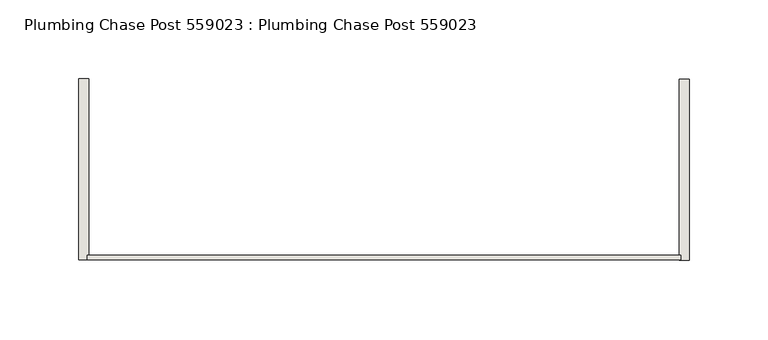
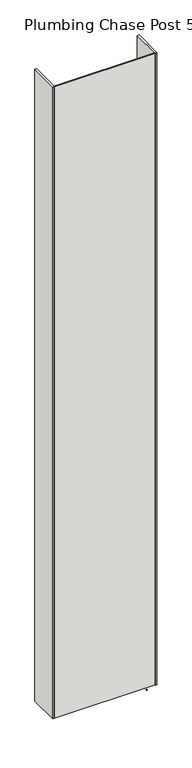
"""IFC4 building model written with IfcOpenShell, lengths in millimetres: wall geometry, Plumbing Chase Post 559023 : Plumbing Chase Post 559023."""

from ifc_helpers import new_model, si_unit, frame, origin, place, context, project, spatial, polyline, outline, extrude, source, transform, mapped, element, save


def plumbing_chase_post_559023_plumbing_chase_post_559023_118c1c75(model_context):
    return source(origin(), model_context, "Body", "SweptSolid", [
        extrude(outline(polyline([(53016.1140336, -39389.1845692), (53018.6540336, -39389.1845692), (53018.6540336, -39391.7245692), (53016.1140336, -39391.7245692), (53016.1140336, -39389.1845692)])), frame((0.0, 0.0, 4419.6), z_axis=(0.0, 0.0, 1.0), x_axis=(1.0, 0.0, 0.0)), (0.0, 0.0, 1.0), 2.54),
        extrude(outline(polyline([(53015.9453522, -39447.5208508), (52640.3589812, -39447.5208508), (52640.3589812, -39444.8543334), (53015.9453522, -39444.8543334), (53015.9453522, -39447.5208508)])), frame((0.0, 0.0, 4474.8958), z_axis=(0.0, 0.0, 1.0), x_axis=(1.0, 0.0, 0.0)), (0.0, 0.0, 1.0), 2481.1482254),
        extrude(outline(polyline([(53015.9453522, -39447.5208508), (52640.3589812, -39447.5208508), (52640.3589812, -39444.8543334), (53015.9453522, -39444.8543334), (53015.9453522, -39447.5208508)])), frame((0.0, 0.0, 4474.8958), z_axis=(0.0, 0.0, 1.0), x_axis=(1.0, 0.0, 0.0)), (0.0, 0.0, 1.0), 2481.1482254),
        extrude(outline(polyline([(53021.3589812, -39333.397584), (53021.3589812, -39447.824711), (53015.2384194, -39447.824711), (53015.2384194, -39333.397584), (53021.3589812, -39333.397584)])), frame((0.0, 0.0, 4474.8958), z_axis=(0.0, 0.0, 1.0), x_axis=(1.0, 0.0, 0.0)), (0.0, 0.0, 1.0), 2481.1482254),
        extrude(outline(polyline([(53021.3589812, -39333.397584), (53021.3589812, -39447.824711), (53015.2384194, -39447.824711), (53015.2384194, -39333.397584), (53021.3589812, -39333.397584)])), frame((0.0, 0.0, 4474.8958), z_axis=(0.0, 0.0, 1.0), x_axis=(1.0, 0.0, 0.0)), (0.0, 0.0, 1.0), 2481.1482254),
        extrude(outline(polyline([(52634.9453522, -39447.5208508), (52634.9453522, -39333.0937238), (52641.0907298, -39333.0937238), (52641.0907298, -39447.5208508), (52634.9453522, -39447.5208508)])), frame((0.0, 0.0, 4474.8958), z_axis=(0.0, 0.0, 1.0), x_axis=(1.0, 0.0, 0.0)), (0.0, 0.0, 1.0), 2481.1482254),
        extrude(outline(polyline([(52634.9453522, -39447.5208508), (52634.9453522, -39333.0937238), (52641.0907298, -39333.0937238), (52641.0907298, -39447.5208508), (52634.9453522, -39447.5208508)])), frame((0.0, 0.0, 4474.8958), z_axis=(0.0, 0.0, 1.0), x_axis=(1.0, 0.0, 0.0)), (0.0, 0.0, 1.0), 2481.1482254),
    ])


if __name__ == "__main__":
    model = new_model("IFC4")
    model_context = context("Model", 3, world=origin())
    ifc_project = project(units=[si_unit("LENGTHUNIT", "METRE", prefix="MILLI")], contexts=[model_context])
    site = spatial("IfcSite", under=ifc_project)
    building = spatial("IfcBuilding", under=site)
    placement = place(None, origin())
    plumbing_chase_post_559023_plumbing_chase_post_559023_shape = plumbing_chase_post_559023_plumbing_chase_post_559023_118c1c75(model_context)
    element("IfcWall", 1, ObjectType="Plumbing Chase Post 559023 : Plumbing Chase Post 559023", at=placement, inside=building, context=model_context, shape_type="MappedRepresentation", body=[
        mapped(plumbing_chase_post_559023_plumbing_chase_post_559023_shape, transform((0.0, 0.0, 0.0), x_axis=(1.0, 0.0, 0.0), y_axis=(0.0, 1.0, 0.0), z_axis=(0.0, 0.0, 1.0))),
    ])
    save(model, "model.ifc")
